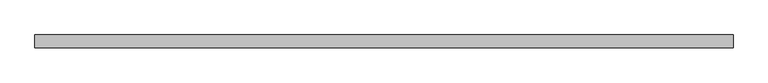
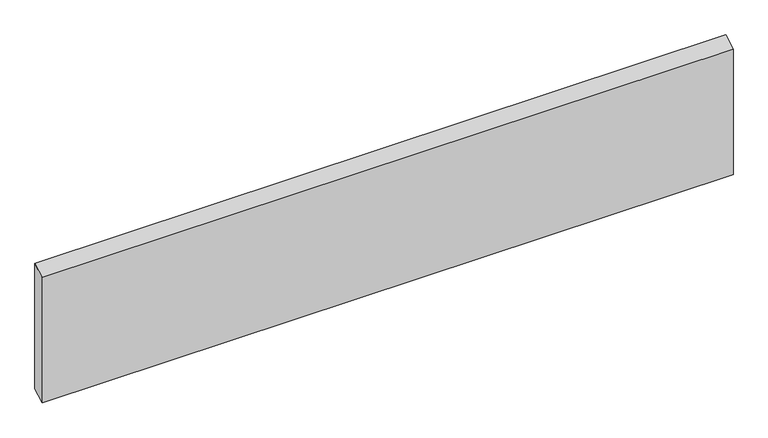
"""IFC4 building model written with IfcOpenShell, lengths in millimetres: beam geometry."""

import ifcopenshell
import ifcopenshell.guid

model = None  # the IFC model being written
_history = None  # IfcOwnerHistory: only IFC2X3 demands one
_inside = {}  # id of a spatial element -> (the spatial element, [elements in it])
_under = {}  # id of a project, library or spatial element -> (it, [spatial elements below it])
_declared = {}  # id of a project -> (the project, [libraries it declares])
_typed = {}  # id of a type object -> (the type object, [elements of that type])
_made_of = {}  # id of a material, layer set ... -> (it, [elements and type objects made of it])


def new_model(schema):
    """Start an empty IFC model of exactly this schema.

    Asked for "IFC4X3", IfcOpenShell would pick the latest addendum, in which some entities
    have other attributes; the version numbers below select the first issue.
    IFC2X3 requires an IfcOwnerHistory on every rooted entity: one is made here for all.
    """
    global model, _history
    if schema == "IFC4X3":
        model = ifcopenshell.file(schema_version=(4, 3, 0, 0))
    else:
        model = ifcopenshell.file(schema=schema)
    _inside.clear()
    _under.clear()
    _declared.clear()
    _typed.clear()
    _made_of.clear()
    _history = None
    if model.schema == "IFC2X3":
        org = make("IfcOrganization", Name="unknown")
        user = make(
            "IfcPersonAndOrganization",
            ThePerson=make("IfcPerson", FamilyName="unknown"),
            TheOrganization=org,
        )
        app = make(
            "IfcApplication",
            ApplicationDeveloper=org,
            Version="unknown",
            ApplicationFullName="unknown",
            ApplicationIdentifier="unknown",
        )
        _history = make(
            "IfcOwnerHistory",
            OwningUser=user,
            OwningApplication=app,
            ChangeAction="ADDED",
            CreationDate=0,
        )
    return model


def make(cls, **values):
    """One entity of the class cls with the attributes given. An attribute that is None is left unset."""
    return model.create_entity(
        cls, **{name: value for name, value in values.items() if value is not None}
    )


def rooted(cls, **values):
    """An entity with a GlobalId (a new one), such as an element, a storey or a relation."""
    return make(cls, GlobalId=ifcopenshell.guid.new(), OwnerHistory=_history, **values)


def si_unit(unit_type, name, prefix=None):
    """IfcSIUnit, for example si_unit("LENGTHUNIT", "METRE", prefix="MILLI")."""
    return make("IfcSIUnit", UnitType=unit_type, Prefix=prefix, Name=name)


def assignment(units):
    """IfcUnitAssignment: the units of a project."""
    return None if units is None else make("IfcUnitAssignment", Units=units)


def point(xyz):
    """IfcCartesianPoint."""
    return None if xyz is None else make("IfcCartesianPoint", Coordinates=xyz)


def direction(xyz):
    """IfcDirection."""
    return None if xyz is None else make("IfcDirection", DirectionRatios=xyz)


def frame(location, z_axis=None, x_axis=None):
    """IfcAxis2Placement3D, a coordinate frame: its origin and axes. An axis left out is left unset."""
    return make(
        "IfcAxis2Placement3D",
        Location=point(location),
        Axis=direction(z_axis),
        RefDirection=direction(x_axis),
    )


def origin():
    """The frame at (0, 0, 0) with its axes left unset."""
    return frame((0.0, 0.0, 0.0))


def place(relative_to, where):
    """IfcLocalPlacement: puts the frame where relative to a parent placement (None: the world)."""
    return make(
        "IfcLocalPlacement", PlacementRelTo=relative_to, RelativePlacement=where
    )


def context(
    kind, dimensions, precision=None, world=None, true_north=None, identifier=None
):
    """IfcGeometricRepresentationContext, for example the 3D "Model" context."""
    return make(
        "IfcGeometricRepresentationContext",
        ContextIdentifier=identifier,
        ContextType=kind,
        CoordinateSpaceDimension=dimensions,
        Precision=precision,
        WorldCoordinateSystem=world,
        TrueNorth=true_north,
    )


def project(units=None, contexts=None):
    """IfcProject with its units and contexts."""
    return rooted(
        "IfcProject",
        Name="project",
        RepresentationContexts=contexts,
        UnitsInContext=assignment(units),
    )


def spatial(cls, under=None, at=None, **own):
    """A site, building, storey or space (cls), placed at a placement, below another one or the project."""
    s = rooted(cls, ObjectPlacement=at, **own)
    if under is not None:
        _under.setdefault(under.id(), (under, []))[1].append(s)
    return s


def polyline(points):
    """IfcPolyline through the points."""
    return make("IfcPolyline", Points=[point(p) for p in points])


def outline(outer, holes=None, kind="AREA"):
    """IfcArbitraryClosedProfileDef: a profile drawn as a closed curve; with holes, ...WithVoids."""
    if holes is None:
        return make("IfcArbitraryClosedProfileDef", ProfileType=kind, OuterCurve=outer)
    return make(
        "IfcArbitraryProfileDefWithVoids",
        ProfileType=kind,
        OuterCurve=outer,
        InnerCurves=holes,
    )


def extrude(swept, where, along, depth):
    """IfcExtrudedAreaSolid: the profile swept, set in the frame where, extruded along a direction by depth."""
    return make(
        "IfcExtrudedAreaSolid",
        SweptArea=swept,
        Position=where,
        ExtrudedDirection=direction(along),
        Depth=depth,
    )


def shape(context_of_items, identifier, shape_type, items):
    """IfcShapeRepresentation: the items that make up one representation, for example the "Body"."""
    return make(
        "IfcShapeRepresentation",
        ContextOfItems=context_of_items,
        RepresentationIdentifier=identifier,
        RepresentationType=shape_type,
        Items=items,
    )


def source(mapping_origin, context_of_items, identifier, shape_type, items):
    """IfcRepresentationMap: a shape defined once, which mapped items show again and again."""
    return make(
        "IfcRepresentationMap",
        MappingOrigin=mapping_origin,
        MappedRepresentation=shape(context_of_items, identifier, shape_type, items),
    )


def transform(
    local_origin,
    x_axis=None,
    y_axis=None,
    z_axis=None,
    scale=None,
    scale2=None,
    scale3=None,
    uniform=True,
):
    """IfcCartesianTransformationOperator3D, or its non-uniform kind. x_axis, y_axis, z_axis: its Axis1, 2, 3."""
    if uniform:
        return make(
            "IfcCartesianTransformationOperator3D",
            Axis1=direction(x_axis),
            Axis2=direction(y_axis),
            LocalOrigin=point(local_origin),
            Scale=scale,
            Axis3=direction(z_axis),
        )
    return make(
        "IfcCartesianTransformationOperator3DnonUniform",
        Axis1=direction(x_axis),
        Axis2=direction(y_axis),
        LocalOrigin=point(local_origin),
        Scale=scale,
        Axis3=direction(z_axis),
        Scale2=scale2,
        Scale3=scale3,
    )


def mapped(mapping_source, mapping_target):
    """IfcMappedItem: shows the shape of a source again, moved by a transform."""
    return make(
        "IfcMappedItem", MappingSource=mapping_source, MappingTarget=mapping_target
    )


def made_of(thing, what):
    """Note that an element or type object is made of a material, layer set ...; save() writes the relation."""
    if what is not None:
        _made_of.setdefault(what.id(), (what, []))[1].append(thing)
    return thing


def element(
    cls,
    number,
    at=None,
    inside=None,
    cuts=None,
    type_object=None,
    material=None,
    context=None,
    identifier="Body",
    shape_type=None,
    held_by="IfcProductDefinitionShape",
    body=None,
    shapes=None,
    **own,
):
    """One element of the class cls, such as IfcWall. Its Tag is "e" and its number.

    at: its placement. inside: the storey or other place that contains it. cuts: it is an
    opening in that element (IfcRelVoidsElement). A single representation is given by context,
    identifier, shape_type and body (its items); several are given by shapes. held_by: the class
    of the entity that holds the representations. save() writes the other relations.
    """
    e = rooted(cls, Tag="e%d" % number, ObjectPlacement=at, **own)
    if body is not None:
        shapes = [shape(context, identifier, shape_type, body)]
    if shapes is not None:
        e.Representation = make(held_by, Representations=shapes)
    if inside is not None:
        _inside.setdefault(inside.id(), (inside, []))[1].append(e)
    if cuts is not None:
        rooted(
            "IfcRelVoidsElement", RelatingBuildingElement=cuts, RelatedOpeningElement=e
        )
    if type_object is not None:
        _typed.setdefault(type_object.id(), (type_object, []))[1].append(e)
    return made_of(e, material)


def aggregate(whole, parts):
    """IfcRelAggregates: a whole, such as a stair, and the parts it consists of."""
    return rooted("IfcRelAggregates", RelatingObject=whole, RelatedObjects=parts)


def save(model, path):
    """Write the relations noted so far, then the file.

    IfcRelAggregates (storeys below a building ...), IfcRelContainedInSpatialStructure (elements
    in a storey), IfcRelDefinesByType, IfcRelAssociatesMaterial and IfcRelDeclares: one each for
    every whole, place, type object, material and project.
    """
    for whole, parts in _under.values():
        aggregate(whole, parts)
    for where, things in _inside.values():
        rooted(
            "IfcRelContainedInSpatialStructure",
            RelatedElements=things,
            RelatingStructure=where,
        )
    for kind, things in _typed.values():
        rooted("IfcRelDefinesByType", RelatedObjects=things, RelatingType=kind)
    for what, things in _made_of.values():
        rooted("IfcRelAssociatesMaterial", RelatedObjects=things, RelatingMaterial=what)
    for by, libraries in _declared.values():
        rooted("IfcRelDeclares", RelatingContext=by, RelatedDefinitions=libraries)
    model.write(path)


def beam_f537e833(model_context):
    return source(origin(), model_context, "Body", "SweptSolid", [
        extrude(outline(polyline([(11.0, 121.8209068), (11.0, -109.1192009), (-11.0, -121.8209068), (-11.0, 109.1192009), (11.0, 121.8209068)])), frame((-601.0, 0.0, 0.0), z_axis=(1.0, 0.0, 0.0), x_axis=(0.0, 1.0, 0.0)), (0.0, 0.0, 1.0), 1202.0),
    ])


if __name__ == "__main__":
    model = new_model("IFC4")
    model_context = context("Model", 3, world=origin())
    ifc_project = project(units=[si_unit("LENGTHUNIT", "METRE", prefix="MILLI")], contexts=[model_context])
    site = spatial("IfcSite", under=ifc_project)
    building = spatial("IfcBuilding", under=site)
    placement = place(None, origin())
    beam_shape = beam_f537e833(model_context)
    element("IfcBeam", 1, at=placement, inside=building, context=model_context, shape_type="MappedRepresentation", body=[
        mapped(beam_shape, transform((0.0, 0.0, 0.0), x_axis=(1.0, 0.0, 0.0), y_axis=(0.0, 1.0, 0.0), z_axis=(0.0, 0.0, 1.0))),
    ])
    save(model, "model.ifc")
